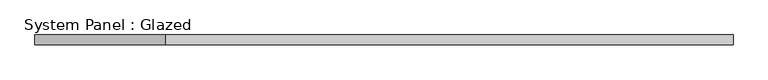
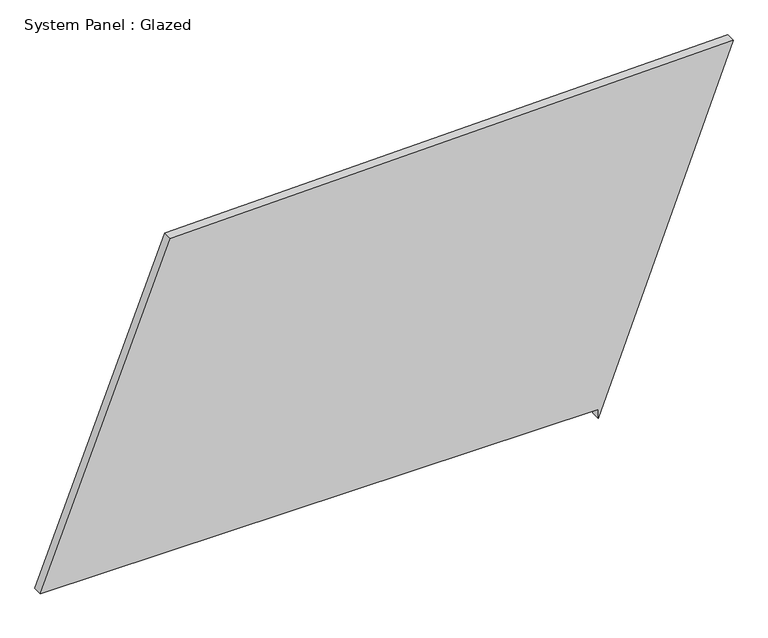
"""IFC4 building model written with IfcOpenShell, lengths in millimetres: plate geometry, System Panel : Glazed."""

from ifc_helpers import new_model, si_unit, frame, origin, place, context, project, spatial, polyline, outline, extrude, source, transform, mapped, element, save


def system_panel_glazed_ea0d5449(model_context):
    return source(origin(), model_context, "Body", "SweptSolid", [
        extrude(outline(polyline([(25.0, 551.2973379), (0.0, 551.2973379), (918.9228536, 902.1834657), (885.8926794, -563.4826859), (25.0, -902.1834657), (25.0, 551.2973379)])), frame((0.0, -49.5, 0.0), z_axis=(0.0, 1.0, 0.0), x_axis=(0.0, 0.0, 1.0)), (0.0, 0.0, 1.0), 25.0),
    ])


if __name__ == "__main__":
    model = new_model("IFC4")
    model_context = context("Model", 3, world=origin())
    ifc_project = project(units=[si_unit("LENGTHUNIT", "METRE", prefix="MILLI")], contexts=[model_context])
    site = spatial("IfcSite", under=ifc_project)
    building = spatial("IfcBuilding", under=site)
    placement = place(None, origin())
    system_panel_glazed_shape = system_panel_glazed_ea0d5449(model_context)
    element("IfcPlate", 1, ObjectType="System Panel : Glazed", at=placement, inside=building, context=model_context, shape_type="MappedRepresentation", body=[
        mapped(system_panel_glazed_shape, transform((0.0, 0.0, 0.0), x_axis=(1.0, 0.0, 0.0), y_axis=(0.0, 1.0, 0.0), z_axis=(0.0, 0.0, 1.0))),
    ])
    save(model, "model.ifc")
